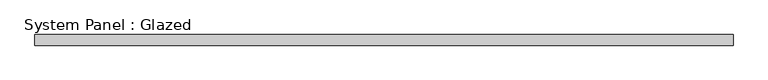
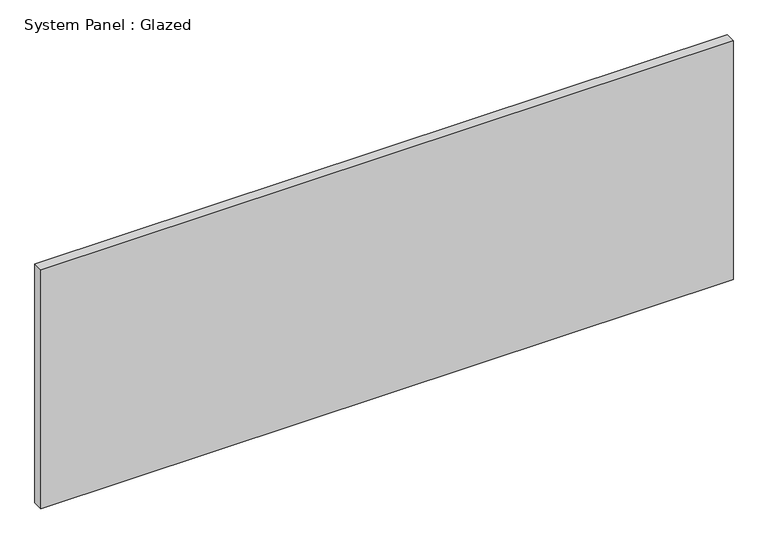
"""IFC4 building model written with IfcOpenShell, lengths in millimetres: plate geometry, System Panel : Glazed."""

from ifc_helpers import new_model, si_unit, origin, origin_with_axes, place, context, project, spatial, polyline, outline, extrude, source, transform, mapped, element, save


def system_panel_glazed_c56089b7(model_context):
    return source(origin(), model_context, "Body", "SweptSolid", [
        extrude(outline(polyline([(835.0413663, 19.05), (-835.0413663, 19.05), (-835.0413663, 44.45), (835.0413663, 44.45), (835.0413663, 19.05)])), origin_with_axes(), (0.0, 0.0, 1.0), 609.6),
    ])


if __name__ == "__main__":
    model = new_model("IFC4")
    model_context = context("Model", 3, world=origin())
    ifc_project = project(units=[si_unit("LENGTHUNIT", "METRE", prefix="MILLI")], contexts=[model_context])
    site = spatial("IfcSite", under=ifc_project)
    building = spatial("IfcBuilding", under=site)
    placement = place(None, origin())
    system_panel_glazed_shape = system_panel_glazed_c56089b7(model_context)
    element("IfcPlate", 1, ObjectType="System Panel : Glazed", at=placement, inside=building, context=model_context, shape_type="MappedRepresentation", body=[
        mapped(system_panel_glazed_shape, transform((0.0, 0.0, 0.0), x_axis=(1.0, 0.0, 0.0), y_axis=(0.0, 1.0, 0.0), z_axis=(0.0, 0.0, 1.0))),
    ])
    save(model, "model.ifc")
